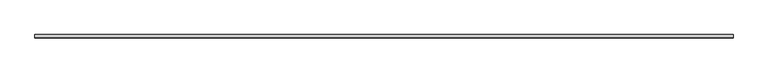
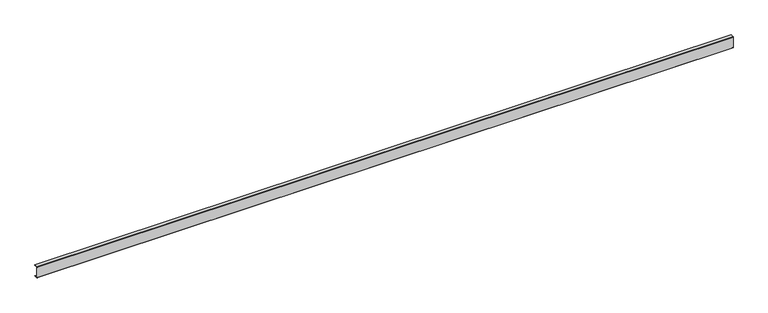
"""IFC4 building model written with IfcOpenShell, lengths in millimetres: proxy geometry."""

from ifc_helpers import new_model, si_unit, point, frame, frame_2d, origin, place, context, project, spatial, polyline, circle_curve, trimmed, segment, composite_curve, outline, extrude, source, transform, mapped, element, save


def generic_models_1e8dda29(model_context):
    return source(origin(), model_context, "Body", "SweptSolid", [
        extrude(outline(composite_curve([segment(polyline([(7.0, 1.0), (7.0, 0.0), (-7.0, 0.0)]), True, "CONTINUOUS"), segment(trimmed(circle_curve(frame_2d((-7.0, 1.0)), 1.0), [point((-7.0, 0.0))], [point((-8.0, 1.0))], False, "CARTESIAN"), True, "CONTINUOUS"), segment(polyline([(-8.0, 1.0), (-8.0, 49.0)]), True, "CONTINUOUS"), segment(trimmed(circle_curve(frame_2d((-7.0, 49.0)), 1.0), [point((-8.0, 49.0))], [point((-7.0, 50.0))], False, "CARTESIAN"), True, "CONTINUOUS"), segment(polyline([(-7.0, 50.0), (7.0, 50.0), (7.0, 49.0), (-6.0, 49.0)]), True, "CONTINUOUS"), segment(trimmed(circle_curve(frame_2d((-6.0, 48.0)), 1.0), [point((-6.0, 49.0))], [point((-7.0, 48.0))], True, "CARTESIAN"), True, "CONTINUOUS"), segment(polyline([(-7.0, 48.0), (-7.0, 2.0)]), True, "CONTINUOUS"), segment(trimmed(circle_curve(frame_2d((-6.0, 2.0)), 1.0), [point((-7.0, 2.0))], [point((-6.0, 1.0))], True, "CARTESIAN"), True, "CONTINUOUS"), segment(polyline([(-6.0, 1.0), (7.0, 1.0)]), True, "CONTINUOUS")], self_intersect=False)), frame((0.0, 0.0, 0.0), z_axis=(1.0, 0.0, 0.0), x_axis=(0.0, 1.0, 0.0)), (0.0, 0.0, 1.0), 3000.0),
    ])


if __name__ == "__main__":
    model = new_model("IFC4")
    model_context = context("Model", 3, world=origin())
    ifc_project = project(units=[si_unit("LENGTHUNIT", "METRE", prefix="MILLI")], contexts=[model_context])
    site = spatial("IfcSite", under=ifc_project)
    building = spatial("IfcBuilding", under=site)
    placement = place(None, origin())
    generic_models_shape = generic_models_1e8dda29(model_context)
    element("IfcBuildingElementProxy", 1, Name="Generic Models", at=placement, inside=building, context=model_context, shape_type="MappedRepresentation", body=[
        mapped(generic_models_shape, transform((0.0, 0.0, 0.0), x_axis=(1.0, 0.0, 0.0), y_axis=(0.0, 1.0, 0.0), z_axis=(0.0, 0.0, 1.0))),
    ])
    save(model, "model.ifc")
